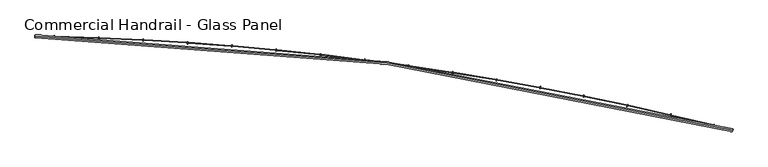
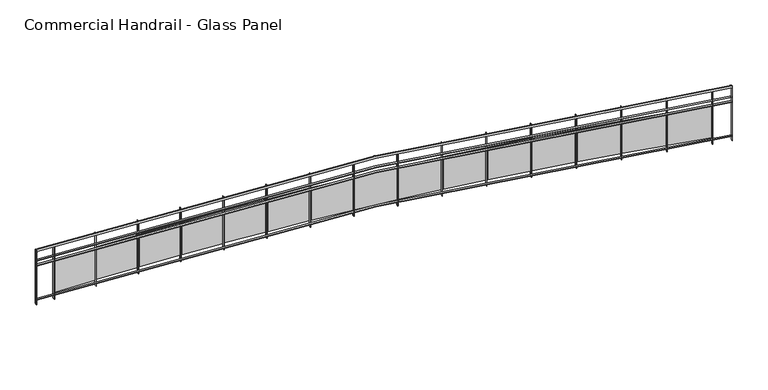
"""IFC4 building model written with IfcOpenShell, lengths in millimetres: railing geometry, Commercial Handrail - Glass Panel."""

from ifc_helpers import new_model, si_unit, point, frame, origin, place, context, project, spatial, polyline, circle_curve, ellipse_curve, trimmed, outline, extrude, source, transform, mapped, element, save
from ifc_brep_helpers import plane_surface, cylinder_surface, revolved_surface, advanced_brep


def commercial_handrail_glass_panel_1231f579(model_context):
    return source(origin(), model_context, "Body", "SolidModel", [
        advanced_brep(
        [(127651.4463587, -32615.5815285, 9482.5), (140199.431702, -34306.4790783, 9482.5), (140199.431702, -34306.4790783, 9517.5), (127651.4463587, -32615.5815285, 9517.5)],
        [
            (0, 1, circle_curve(frame((126699.3049554, -87085.4645407, 9482.5), z_axis=(0.0, 0.0, -1.0), x_axis=(0.24780785186476648, 0.9688092013158061, 0.0)), 54478.2041611)),
            (1, 2, ellipse_curve(frame((140199.431702, -34306.4790783, 9500.0), z_axis=(-0.9688092013158076, 0.2478078518647603, 0.0), x_axis=(0.2478078518647603, 0.9688092013158076, 0.0)), 25.0, 17.5)),
            (2, 3, circle_curve(frame((126699.3049554, -87085.4645407, 9517.5), z_axis=(0.0, 0.0, 1.0), x_axis=(0.24780785186476648, 0.9688092013158061, 0.0)), 54478.2041611)),
            (3, 0, ellipse_curve(frame((127651.4463587, -32615.5815285, 9500.0), z_axis=(0.9998472572840302, -0.01747747411963002, 0.0), x_axis=(0.01747747411963002, 0.9998472572840302, 0.0)), 25.0, 17.5)),
            (2, 1, ellipse_curve(frame((140199.431702, -34306.4790783, 9500.0), z_axis=(-0.9688092013158076, 0.2478078518647603, 0.0), x_axis=(0.2478078518647603, 0.9688092013158076, 0.0)), 25.0, 17.5)),
            (0, 3, ellipse_curve(frame((127651.4463587, -32615.5815285, 9500.0), z_axis=(0.9998472572840302, -0.01747747411963002, 0.0), x_axis=(0.01747747411963002, 0.9998472572840302, 0.0)), 25.0, 17.5)),
        ],
        [
            revolved_surface(trimmed(ellipse_curve(frame((140199.431702, -34306.4790783, 9500.0), z_axis=(0.9688092013158061, -0.24780785186476648, 0.0), x_axis=(0.0, 0.0, -1.0)), 17.5, 25.0), [point((140199.431702, -34306.4790783, 9517.5))], [point((140199.431702, -34306.4790783, 9482.5))], True, "CARTESIAN"), (126699.3049554, -87085.4645407, 9500.0), (0.0, 0.0, 1.0)),
            revolved_surface(trimmed(ellipse_curve(frame((140199.431702, -34306.4790783, 9500.0), z_axis=(0.9688092013158061, -0.24780785186476648, 0.0), x_axis=(0.0, 0.0, -1.0)), 17.5, 25.0), [point((140199.431702, -34306.4790783, 9482.5))], [point((140199.431702, -34306.4790783, 9517.5))], True, "CARTESIAN"), (126699.3049554, -87085.4645407, 9500.0), (0.0, 0.0, 1.0)),
            plane_surface(frame((140199.431702, -34306.4790783, 9500.0), z_axis=(0.9688092013158061, -0.24780785186476648, 0.0), x_axis=(0.24780785186476648, 0.9688092013158061, 0.0))),
            plane_surface(frame((127651.4463587, -32615.5815285, 9500.0), z_axis=(-0.9998472572840302, 0.01747747411963012, 0.0), x_axis=(0.01747747411963012, 0.9998472572840302, 0.0))),
        ],
        [
            (0, [[1, 2, 3, 4]]),
            (1, [[-3, 5, -1, 6]]),
            (2, [[-2, -5]]),
            (3, [[-6, -4]]),
        ],
    ),
        advanced_brep(
        [(127651.0531155, -32638.0780917, 9300.0), (140193.8560253, -34328.2772853, 9300.0), (140205.0073787, -34284.6808712, 9300.0), (127651.8396019, -32593.0849652, 9300.0), (127651.0531155, -32638.0780917, 9294.0), (140193.8560253, -34328.2772853, 9294.0), (127651.8396019, -32593.0849652, 9294.0), (140205.0073787, -34284.6808712, 9294.0)],
        [
            (0, 1, circle_curve(frame((126699.3049554, -87085.4645407, 9300.0), z_axis=(0.0, 0.0, -1.0), x_axis=(0.24780785186476648, 0.9688092013158061, 0.0)), 54455.7041611)),
            (1, 2),
            (2, 3, circle_curve(frame((126699.3049554, -87085.4645407, 9300.0), z_axis=(0.0, 0.0, 1.0), x_axis=(0.24780785186476648, 0.9688092013158061, 0.0)), 54500.7041611)),
            (3, 0),
            (4, 5, circle_curve(frame((126699.3049554, -87085.4645407, 9294.0), z_axis=(0.0, 0.0, -1.0), x_axis=(0.24780785186476648, 0.9688092013158061, 0.0)), 54455.7041611)),
            (5, 1),
            (0, 4),
            (6, 7, circle_curve(frame((126699.3049554, -87085.4645407, 9294.0), z_axis=(0.0, 0.0, -1.0), x_axis=(0.24780785186476648, 0.9688092013158061, 0.0)), 54500.7041611)),
            (7, 5),
            (4, 6),
            (2, 7),
            (6, 3),
        ],
        [
            plane_surface(frame((126699.3049554, -87085.4645407, 9300.0), z_axis=(0.0, 0.0, 1.0000000000000002), x_axis=(0.24780785186476648, 0.9688092013158061, 0.0))),
            revolved_surface(polyline([(140193.85602534542, -34328.2772852949, 9300.0), (140193.85602534542, -34328.2772852949, 9294.0)]), (126699.3049554, -87085.4645407, 9300.0), (0.0, 0.0, 1.0)),
            plane_surface(frame((126699.3049554, -87085.4645407, 9294.0), z_axis=(0.0, 0.0, -1.0000000000000002), x_axis=(0.24780785186476648, 0.9688092013158061, 0.0))),
            cylinder_surface(frame((126699.3049554, -87085.4645407, 9300.0), z_axis=(0.0, 0.0, 1.0), x_axis=(0.24780785186476648, 0.9688092013158061, 0.0)), 54500.7041611),
            plane_surface(frame((140199.431702, -34306.4790783, 9300.0), z_axis=(0.9688092013158061, -0.24780785186476648, 0.0), x_axis=(0.24780785186476648, 0.9688092013158061, 0.0))),
            plane_surface(frame((127651.4463587, -32615.5815285, 9300.0), z_axis=(-0.9998472572840302, 0.01747747411963012, 0.0), x_axis=(0.01747747411963012, 0.9998472572840302, 0.0))),
        ],
        [
            (0, [[1, 2, 3, 4]]),
            (1, [[5, 6, -1, 7]]),
            (2, [[8, 9, -5, 10]]),
            (3, [[-3, 11, -8, 12]]),
            (4, [[-2, -6, -9, -11]]),
            (5, [[-12, -10, -7, -4]]),
        ],
    ),
        advanced_brep(
        [(127651.0531155, -32638.0780917, 9200.0), (140193.8560253, -34328.2772853, 9200.0), (140205.0073787, -34284.6808712, 9200.0), (127651.8396019, -32593.0849652, 9200.0), (127651.0531155, -32638.0780917, 9194.0), (140193.8560253, -34328.2772853, 9194.0), (127651.8396019, -32593.0849652, 9194.0), (140205.0073787, -34284.6808712, 9194.0)],
        [
            (0, 1, circle_curve(frame((126699.3049554, -87085.4645407, 9200.0), z_axis=(0.0, 0.0, -1.0), x_axis=(0.24780785186476648, 0.9688092013158061, 0.0)), 54455.7041611)),
            (1, 2),
            (2, 3, circle_curve(frame((126699.3049554, -87085.4645407, 9200.0), z_axis=(0.0, 0.0, 1.0), x_axis=(0.24780785186476648, 0.9688092013158061, 0.0)), 54500.7041611)),
            (3, 0),
            (4, 5, circle_curve(frame((126699.3049554, -87085.4645407, 9194.0), z_axis=(0.0, 0.0, -1.0), x_axis=(0.24780785186476648, 0.9688092013158061, 0.0)), 54455.7041611)),
            (5, 1),
            (0, 4),
            (6, 7, circle_curve(frame((126699.3049554, -87085.4645407, 9194.0), z_axis=(0.0, 0.0, -1.0), x_axis=(0.24780785186476648, 0.9688092013158061, 0.0)), 54500.7041611)),
            (7, 5),
            (4, 6),
            (2, 7),
            (6, 3),
        ],
        [
            plane_surface(frame((126699.3049554, -87085.4645407, 9200.0), z_axis=(0.0, 0.0, 1.0000000000000002), x_axis=(0.24780785186476648, 0.9688092013158061, 0.0))),
            revolved_surface(polyline([(140193.85602534542, -34328.2772852949, 9200.0), (140193.85602534542, -34328.2772852949, 9194.0)]), (126699.3049554, -87085.4645407, 9200.0), (0.0, 0.0, 1.0)),
            plane_surface(frame((126699.3049554, -87085.4645407, 9194.0), z_axis=(0.0, 0.0, -1.0000000000000002), x_axis=(0.24780785186476648, 0.9688092013158061, 0.0))),
            cylinder_surface(frame((126699.3049554, -87085.4645407, 9200.0), z_axis=(0.0, 0.0, 1.0), x_axis=(0.24780785186476648, 0.9688092013158061, 0.0)), 54500.7041611),
            plane_surface(frame((140199.431702, -34306.4790783, 9200.0), z_axis=(0.9688092013158061, -0.24780785186476648, 0.0), x_axis=(0.24780785186476648, 0.9688092013158061, 0.0))),
            plane_surface(frame((127651.4463587, -32615.5815285, 9200.0), z_axis=(-0.9998472572840302, 0.01747747411963012, 0.0), x_axis=(0.01747747411963012, 0.9998472572840302, 0.0))),
        ],
        [
            (0, [[1, 2, 3, 4]]),
            (1, [[5, 6, -1, 7]]),
            (2, [[8, 9, -5, 10]]),
            (3, [[-3, 11, -8, 12]]),
            (4, [[-2, -6, -9, -11]]),
            (5, [[-12, -10, -7, -4]]),
        ],
    ),
        advanced_brep(
        [(127651.0531155, -32638.0780917, 8500.0), (140193.8560253, -34328.2772853, 8500.0), (140205.0073787, -34284.6808712, 8500.0), (127651.8396019, -32593.0849652, 8500.0), (127651.0531155, -32638.0780917, 8494.0), (140193.8560253, -34328.2772853, 8494.0), (127651.8396019, -32593.0849652, 8494.0), (140205.0073787, -34284.6808712, 8494.0)],
        [
            (0, 1, circle_curve(frame((126699.3049554, -87085.4645407, 8500.0), z_axis=(0.0, 0.0, -1.0), x_axis=(0.24780785186476648, 0.9688092013158061, 0.0)), 54455.7041611)),
            (1, 2),
            (2, 3, circle_curve(frame((126699.3049554, -87085.4645407, 8500.0), z_axis=(0.0, 0.0, 1.0), x_axis=(0.24780785186476648, 0.9688092013158061, 0.0)), 54500.7041611)),
            (3, 0),
            (4, 5, circle_curve(frame((126699.3049554, -87085.4645407, 8494.0), z_axis=(0.0, 0.0, -1.0), x_axis=(0.24780785186476648, 0.9688092013158061, 0.0)), 54455.7041611)),
            (5, 1),
            (0, 4),
            (6, 7, circle_curve(frame((126699.3049554, -87085.4645407, 8494.0), z_axis=(0.0, 0.0, -1.0), x_axis=(0.24780785186476648, 0.9688092013158061, 0.0)), 54500.7041611)),
            (7, 5),
            (4, 6),
            (2, 7),
            (6, 3),
        ],
        [
            plane_surface(frame((126699.3049554, -87085.4645407, 8500.0), z_axis=(0.0, 0.0, 1.0000000000000002), x_axis=(0.24780785186476648, 0.9688092013158061, 0.0))),
            revolved_surface(polyline([(140193.85602534542, -34328.2772852949, 8500.0), (140193.85602534542, -34328.2772852949, 8494.0)]), (126699.3049554, -87085.4645407, 8500.0), (0.0, 0.0, 1.0)),
            plane_surface(frame((126699.3049554, -87085.4645407, 8494.0), z_axis=(0.0, 0.0, -1.0000000000000002), x_axis=(0.24780785186476648, 0.9688092013158061, 0.0))),
            cylinder_surface(frame((126699.3049554, -87085.4645407, 8500.0), z_axis=(0.0, 0.0, 1.0), x_axis=(0.24780785186476648, 0.9688092013158061, 0.0)), 54500.7041611),
            plane_surface(frame((140199.431702, -34306.4790783, 8500.0), z_axis=(0.9688092013158061, -0.24780785186476648, 0.0), x_axis=(0.24780785186476648, 0.9688092013158061, 0.0))),
            plane_surface(frame((127651.4463587, -32615.5815285, 8500.0), z_axis=(-0.9998472572840302, 0.01747747411963012, 0.0), x_axis=(0.01747747411963012, 0.9998472572840302, 0.0))),
        ],
        [
            (0, [[1, 2, 3, 4]]),
            (1, [[5, 6, -1, 7]]),
            (2, [[8, 9, -5, 10]]),
            (3, [[-3, 11, -8, 12]]),
            (4, [[-2, -6, -9, -11]]),
            (5, [[-12, -10, -7, -4]]),
        ],
    ),
        extrude(outline(polyline([(127999.9429631, -32600.2821162), (127998.871532, -32645.2693592), (127992.873233, -32645.1265018), (127993.944664, -32600.1392587), (127999.9429631, -32600.2821162)])), frame((0.0, 0.0, 8400.0), z_axis=(0.0, 0.0, 1.0), x_axis=(1.0, 0.0, 0.0)), (0.0, 0.0, 1.0), 1082.1192282),
        extrude(outline(polyline([(128775.8848547, -32651.5298851), (128016.2536473, -32627.856511), (128016.6274374, -32615.8623341), (128776.2586449, -32639.5357081), (128775.8848547, -32651.5298851)])), frame((0.0, 0.0, 8520.0), z_axis=(0.0, 0.0, 1.0), x_axis=(1.0, 0.0, 0.0)), (0.0, 0.0, 1.0), 660.0),
        extrude(outline(polyline([(128799.8764477, -32625.2555578), (128798.1445285, -32670.2222172), (128792.1489739, -32669.9912946), (128793.8808931, -32625.0246352), (128799.8764477, -32625.2555578)])), frame((0.0, 0.0, 8400.0), z_axis=(0.0, 0.0, 1.0), x_axis=(1.0, 0.0, 0.0)), (0.0, 0.0, 1.0), 1082.1192282),
        extrude(outline(polyline([(129574.982143, -32687.8919213), (128815.7804641, -32653.0664896), (128816.3303393, -32641.0790947), (129575.5320183, -32675.9045264), (129574.982143, -32687.8919213)])), frame((0.0, 0.0, 8520.0), z_axis=(0.0, 0.0, 1.0), x_axis=(1.0, 0.0, 0.0)), (0.0, 0.0, 1.0), 660.0),
        extrude(outline(polyline([(129599.3569679, -32661.9727253), (129596.964934, -32706.9091045), (129590.9734168, -32706.5901666), (129593.3654507, -32661.6537874), (129599.3569679, -32661.9727253)])), frame((0.0, 0.0, 8400.0), z_axis=(0.0, 0.0, 1.0), x_axis=(1.0, 0.0, 0.0)), (0.0, 0.0, 1.0), 1082.1192282),
        extrude(outline(polyline([(130373.4593242, -32735.9841766), (129614.850887, -32690.014197), (129615.5767288, -32678.0361691), (130374.185166, -32724.0061487), (130373.4593242, -32735.9841766)])), frame((0.0, 0.0, 8520.0), z_axis=(0.0, 0.0, 1.0), x_axis=(1.0, 0.0, 0.0)), (0.0, 0.0, 1.0), 660.0),
        extrude(outline(polyline([(130398.2121248, -32710.4257011), (130395.160492, -32755.3221101), (130389.1743042, -32754.9152257), (130392.2259369, -32710.0188167), (130398.2121248, -32710.4257011)])), frame((0.0, 0.0, 8400.0), z_axis=(0.0, 0.0, 1.0), x_axis=(1.0, 0.0, 0.0)), (0.0, 0.0, 1.0), 1082.1192282),
        extrude(outline(polyline([(131171.1442157, -32795.7962805), (130413.2926055, -32738.6916659), (130414.1942573, -32726.7255879), (131172.0458675, -32783.8302025), (131171.1442157, -32795.7962805)])), frame((0.0, 0.0, 8520.0), z_axis=(0.0, 0.0, 1.0), x_axis=(1.0, 0.0, 0.0)), (0.0, 0.0, 1.0), 660.0),
        extrude(outline(polyline([(131196.2696543, -32770.6040368), (131192.5590808, -32815.4507942), (131186.5795131, -32814.956051), (131190.2900867, -32770.1092937), (131196.2696543, -32770.6040368)])), frame((0.0, 0.0, 8400.0), z_axis=(0.0, 0.0, 1.0), x_axis=(1.0, 0.0, 0.0)), (0.0, 0.0, 1.0), 1082.1192282),
        extrude(outline(polyline([(131967.8648058, -32867.3153352), (131210.9334448, -32799.0883995), (131212.0107122, -32787.1368517), (131968.9420732, -32855.3637874), (131967.8648058, -32867.3153352)])), frame((0.0, 0.0, 8520.0), z_axis=(0.0, 0.0, 1.0), x_axis=(1.0, 0.0, 0.0)), (0.0, 0.0, 1.0), 660.0),
        extrude(outline(polyline([(131993.3574644, -32842.4947558), (131988.9887502, -32887.2821908), (131983.0170922, -32886.6996956), (131987.3858064, -32841.9122605), (131993.3574644, -32842.4947558)])), frame((0.0, 0.0, 8400.0), z_axis=(0.0, 0.0, 1.0), x_axis=(1.0, 0.0, 0.0)), (0.0, 0.0, 1.0), 1082.1192282),
        extrude(outline(polyline([(132763.4492907, -32950.5259183), (132007.6014025, -32871.191374), (132008.8540532, -32859.2569336), (132764.7019414, -32938.591478), (132763.4492907, -32950.5259183)])), frame((0.0, 0.0, 8520.0), z_axis=(0.0, 0.0, 1.0), x_axis=(1.0, 0.0, 0.0)), (0.0, 0.0, 1.0), 660.0),
        extrude(outline(polyline([(132789.3036722, -32926.0823555), (132784.2777594, -32970.8008103), (132778.3152988, -32970.1306886), (132783.3412116, -32925.4122338), (132789.3036722, -32926.0823555)])), frame((0.0, 0.0, 8400.0), z_axis=(0.0, 0.0, 1.0), x_axis=(1.0, 0.0, 0.0)), (0.0, 0.0, 1.0), 1082.1192282),
        extrude(outline(polyline([(133557.7261118, -33045.4100865), (132803.1246864, -32954.9850411), (132804.5524503, -32943.0702817), (133559.1538757, -33033.4953272), (133557.7261118, -33045.4100865)])), frame((0.0, 0.0, 8520.0), z_axis=(0.0, 0.0, 1.0), x_axis=(1.0, 0.0, 0.0)), (0.0, 0.0, 1.0), 660.0),
        extrude(outline(polyline([(133583.9366409, -33021.3488112), (133578.2546133, -33065.9886428), (133572.3026358, -33065.2310391), (133577.9846634, -33020.5912075), (133583.9366409, -33021.3488112)])), frame((0.0, 0.0, 8400.0), z_axis=(0.0, 0.0, 1.0), x_axis=(1.0, 0.0, 0.0)), (0.0, 0.0, 1.0), 1082.1192282),
        extrude(outline(polyline([(134350.5239922, -33151.9473791), (133597.3317509, -33050.4513317), (133598.93432, -33038.5588226), (134352.1265613, -33140.05487), (134350.5239922, -33151.9473791)])), frame((0.0, 0.0, 8520.0), z_axis=(0.0, 0.0, 1.0), x_axis=(1.0, 0.0, 0.0)), (0.0, 0.0, 1.0), 660.0),
        extrude(outline(polyline([(134377.085017, -33128.2735799), (134370.7480998, -33172.8251621), (134364.8078888, -33171.9802398), (134371.144806, -33127.4286576), (134377.085017, -33128.2735799)])), frame((0.0, 0.0, 8400.0), z_axis=(0.0, 0.0, 1.0), x_axis=(1.0, 0.0, 0.0)), (0.0, 0.0, 1.0), 1082.1192282),
        extrude(outline(polyline([(135141.671974, -33270.1148225), (134390.0513341, -33157.5696596), (134391.828363, -33145.7019653), (135143.4490029, -33258.2471282), (135141.671974, -33270.1148225)])), frame((0.0, 0.0, 8520.0), z_axis=(0.0, 0.0, 1.0), x_axis=(1.0, 0.0, 0.0)), (0.0, 0.0, 1.0), 660.0),
        extrude(outline(polyline([(135168.5777669, -33246.8336043), (135161.5873266, -33291.2873302), (135155.6601632, -33290.3552715), (135162.6506034, -33245.9015456), (135168.5777669, -33246.8336043)])), frame((0.0, 0.0, 8400.0), z_axis=(0.0, 0.0, 1.0), x_axis=(1.0, 0.0, 0.0)), (0.0, 0.0, 1.0), 1082.1192282),
        extrude(outline(polyline([(135930.9994552, -33399.8869352), (135181.1124952, -33276.3169259), (135183.0636006, -33264.4766055), (135932.9505607, -33388.0466148), (135930.9994552, -33399.8869352)])), frame((0.0, 0.0, 8520.0), z_axis=(0.0, 0.0, 1.0), x_axis=(1.0, 0.0, 0.0)), (0.0, 0.0, 1.0), 660.0),
        extrude(outline(polyline([(135958.2442142, -33377.0033185), (135950.6017583, -33421.3496021), (135944.6889205, -33420.330608), (135952.3313764, -33375.9843244), (135958.2442142, -33377.0033185)])), frame((0.0, 0.0, 8400.0), z_axis=(0.0, 0.0, 1.0), x_axis=(1.0, 0.0, 0.0)), (0.0, 0.0, 1.0), 1082.1192282),
        extrude(outline(polyline([(136718.3362263, -33541.2357335), (135970.3446508, -33406.6675242), (135972.469412, -33394.8571309), (136720.4609875, -33529.4253402), (136718.3362263, -33541.2357335)])), frame((0.0, 0.0, 8520.0), z_axis=(0.0, 0.0, 1.0), x_axis=(1.0, 0.0, 0.0)), (0.0, 0.0, 1.0), 660.0),
        extrude(outline(polyline([(136745.9140764, -33518.7546527), (136737.6212529, -33562.9839312), (136731.7240157, -33561.8782214), (136740.0168393, -33517.6489429), (136745.9140764, -33518.7546527)])), frame((0.0, 0.0, 8400.0), z_axis=(0.0, 0.0, 1.0), x_axis=(1.0, 0.0, 0.0)), (0.0, 0.0, 1.0), 1082.1192282),
        extrude(outline(polyline([(137503.512507, -33694.1307369), (136757.5776119, -33548.5933458), (136759.8755707, -33536.8154264), (137505.8104658, -33682.3528175), (137503.512507, -33694.1307369)])), frame((0.0, 0.0, 8520.0), z_axis=(0.0, 0.0, 1.0), x_axis=(1.0, 0.0, 0.0)), (0.0, 0.0, 1.0), 660.0),
        extrude(outline(polyline([(137531.4175014, -33672.0570399), (137522.4760984, -33716.1597758), (137516.5957336, -33714.9675887), (137525.5371366, -33670.8648528), (137531.4175014, -33672.0570399)])), frame((0.0, 0.0, 8400.0), z_axis=(0.0, 0.0, 1.0), x_axis=(1.0, 0.0, 0.0)), (0.0, 0.0, 1.0), 1082.1192282),
        extrude(outline(polyline([(138286.358983, -33858.5389754), (137542.6416206, -33702.063786), (137545.1122815, -33690.3208803), (138288.8296439, -33846.7960697), (138286.358983, -33858.5389754)])), frame((0.0, 0.0, 8520.0), z_axis=(0.0, 0.0, 1.0), x_axis=(1.0, 0.0, 0.0)), (0.0, 0.0, 1.0), 660.0),
        extrude(outline(polyline([(138314.5851042, -33836.8774222), (138304.99705, -33880.8441052), (138299.1348256, -33879.5656979), (138308.7228798, -33835.5990149), (138314.5851042, -33836.8774222)])), frame((0.0, 0.0, 8400.0), z_axis=(0.0, 0.0, 1.0), x_axis=(1.0, 0.0, 0.0)), (0.0, 0.0, 1.0), 1082.1192282),
        extrude(outline(polyline([(139066.7068423, -34034.4249963), (138325.3673869, -33867.0457507), (138328.0102171, -33855.3403909), (139069.3496725, -34022.7196365), (139066.7068423, -34034.4249963)])), frame((0.0, 0.0, 8520.0), z_axis=(0.0, 0.0, 1.0), x_axis=(1.0, 0.0, 0.0)), (0.0, 0.0, 1.0), 660.0),
        extrude(outline(polyline([(139095.2480037, -34013.1802579), (139085.0153658, -34057.0014071), (139079.1725459, -34055.6370554), (139089.4051838, -34011.8159061), (139095.2480037, -34013.1802579)])), frame((0.0, 0.0, 8400.0), z_axis=(0.0, 0.0, 1.0), x_axis=(1.0, 0.0, 0.0)), (0.0, 0.0, 1.0), 1082.1192282),
        extrude(outline(polyline([(139844.3878118, -34221.7508718), (139105.5861248, -34043.5036633), (139108.4005544, -34031.8383735), (139847.2022414, -34210.085582), (139844.3878118, -34221.7508718)])), frame((0.0, 0.0, 8520.0), z_axis=(0.0, 0.0, 1.0), x_axis=(1.0, 0.0, 0.0)), (0.0, 0.0, 1.0), 660.0),
        extrude(outline(polyline([(139873.2378588, -34200.9275293), (139862.3628437, -34244.5936952), (139856.5406882, -34243.1436932), (139867.4157033, -34199.4775273), (139873.2378588, -34200.9275293)])), frame((0.0, 0.0, 8400.0), z_axis=(0.0, 0.0, 1.0), x_axis=(1.0, 0.0, 0.0)), (0.0, 0.0, 1.0), 1082.1192282),
        extrude(outline(polyline([(127654.8391437, -32593.1373976), (127654.0526573, -32638.1305242), (127648.0535738, -32638.0256593), (127648.8400601, -32593.0325327), (127654.8391437, -32593.1373976)])), frame((0.0, 0.0, 8400.0), z_axis=(0.0, 0.0, 1.0), x_axis=(1.0, 0.0, 0.0)), (0.0, 0.0, 1.0), 1082.1192282),
        extrude(outline(polyline([(140207.9138063, -34285.4242948), (140196.7624529, -34329.0207088), (140190.9495977, -34327.5338617), (140202.1009511, -34283.9374477), (140207.9138063, -34285.4242948)])), frame((0.0, 0.0, 8400.0), z_axis=(0.0, 0.0, 1.0), x_axis=(1.0, 0.0, 0.0)), (0.0, 0.0, 1.0), 1082.1192282),
    ])


if __name__ == "__main__":
    model = new_model("IFC4")
    model_context = context("Model", 3, world=origin())
    ifc_project = project(units=[si_unit("LENGTHUNIT", "METRE", prefix="MILLI")], contexts=[model_context])
    site = spatial("IfcSite", under=ifc_project)
    building = spatial("IfcBuilding", under=site)
    placement = place(None, origin())
    commercial_handrail_glass_panel_shape = commercial_handrail_glass_panel_1231f579(model_context)
    element("IfcRailing", 1, ObjectType="Commercial Handrail - Glass Panel", at=placement, inside=building, context=model_context, shape_type="MappedRepresentation", body=[
        mapped(commercial_handrail_glass_panel_shape, transform((0.0, 0.0, 0.0), x_axis=(1.0, 0.0, 0.0), y_axis=(0.0, 1.0, 0.0), z_axis=(0.0, 0.0, 1.0))),
    ])
    save(model, "model.ifc")
